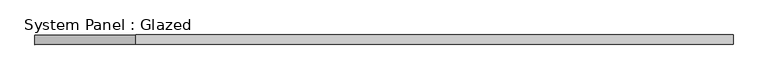
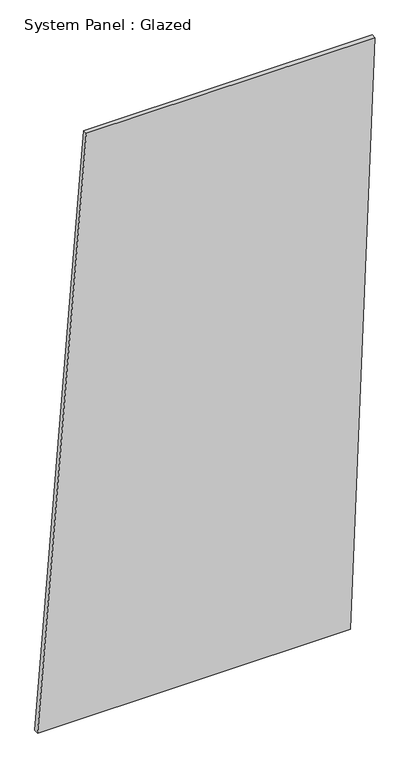
"""IFC4 building model written with IfcOpenShell, lengths in millimetres: plate geometry, System Panel : Glazed."""

from ifc_helpers import new_model, si_unit, frame, origin, place, context, project, spatial, polyline, outline, extrude, source, transform, mapped, element, save


def system_panel_glazed_73fe2338(model_context):
    return source(origin(), model_context, "Body", "SweptSolid", [
        extrude(outline(polyline([(0.0, -911.5493977), (0.0, 779.8836428), (3331.8378669, 911.5493977), (3331.8378669, -648.217888), (0.0, -911.5493977)])), frame((0.0, -49.5, 0.0), z_axis=(0.0, 1.0, 0.0), x_axis=(0.0, 0.0, 1.0)), (0.0, 0.0, 1.0), 25.0),
    ])


if __name__ == "__main__":
    model = new_model("IFC4")
    model_context = context("Model", 3, world=origin())
    ifc_project = project(units=[si_unit("LENGTHUNIT", "METRE", prefix="MILLI")], contexts=[model_context])
    site = spatial("IfcSite", under=ifc_project)
    building = spatial("IfcBuilding", under=site)
    placement = place(None, origin())
    system_panel_glazed_shape = system_panel_glazed_73fe2338(model_context)
    element("IfcPlate", 1, ObjectType="System Panel : Glazed", at=placement, inside=building, context=model_context, shape_type="MappedRepresentation", body=[
        mapped(system_panel_glazed_shape, transform((0.0, 0.0, 0.0), x_axis=(1.0, 0.0, 0.0), y_axis=(0.0, 1.0, 0.0), z_axis=(0.0, 0.0, 1.0))),
    ])
    save(model, "model.ifc")
